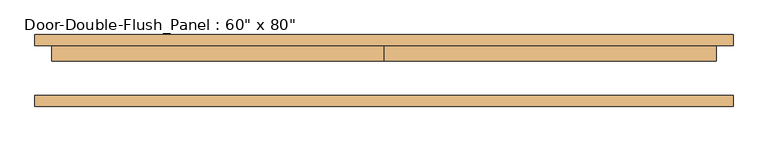
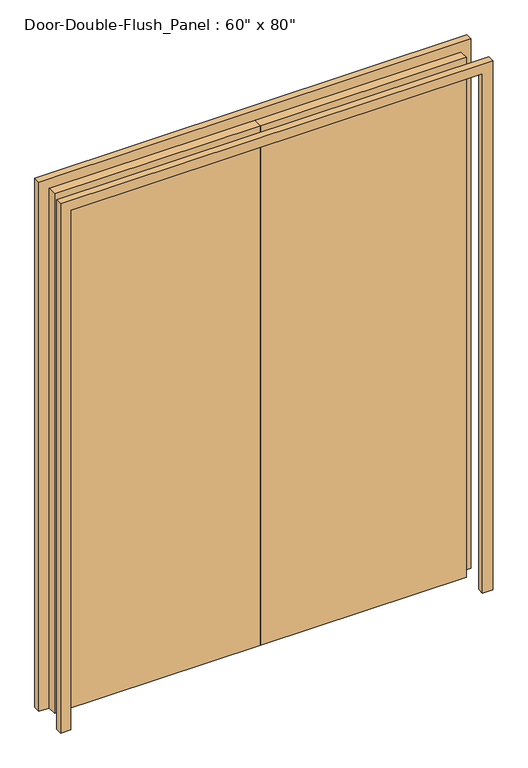
"""IFC4 building model written with IfcOpenShell, lengths in millimetres: door geometry."""

from ifc_helpers import new_model, si_unit, frame, origin, origin_with_axes, place, context, project, spatial, polyline, outline, extrude, source, transform, mapped, element, save


def door_635bca07(model_context):
    return source(origin(), model_context, "Body", "SweptSolid", [
        extrude(outline(polyline([(2032.0, -762.0), (2032.0, 762.0), (0.0, 762.0), (0.0, 800.1), (2070.1, 800.1), (2070.1, -800.1), (0.0, -800.1), (0.0, -762.0), (2032.0, -762.0)])), frame((0.0, -82.55, 0.0), z_axis=(0.0, 1.0, 0.0), x_axis=(0.0, 0.0, 1.0)), (0.0, 0.0, 1.0), 25.4),
        extrude(outline(polyline([(2032.0, -762.0), (2032.0, 762.0), (0.0, 762.0), (0.0, 800.1), (2070.1, 800.1), (2070.1, -800.1), (0.0, -800.1), (0.0, -762.0), (2032.0, -762.0)])), frame((0.0, 57.15, 0.0), z_axis=(0.0, 1.0, 0.0), x_axis=(0.0, 0.0, 1.0)), (0.0, 0.0, 1.0), 25.4),
        extrude(outline(polyline([(0.0, 57.15), (762.0, 57.15), (762.0, 22.225), (0.0, 22.225), (0.0, 57.15)])), origin_with_axes(), (0.0, 0.0, 1.0), 2032.0),
        extrude(outline(polyline([(-762.0, 57.15), (0.0, 57.15), (0.0, 22.225), (-762.0, 22.225), (-762.0, 57.15)])), origin_with_axes(), (0.0, 0.0, 1.0), 2032.0),
    ])


if __name__ == "__main__":
    model = new_model("IFC4")
    model_context = context("Model", 3, world=origin())
    ifc_project = project(units=[si_unit("LENGTHUNIT", "METRE", prefix="MILLI")], contexts=[model_context])
    site = spatial("IfcSite", under=ifc_project)
    building = spatial("IfcBuilding", under=site)
    placement = place(None, origin())
    door_shape = door_635bca07(model_context)
    element("IfcDoor", 1, ObjectType="Door-Double-Flush_Panel : 60\" x 80\"", at=placement, inside=building, context=model_context, shape_type="MappedRepresentation", body=[
        mapped(door_shape, transform((0.0, 0.0, 0.0), x_axis=(1.0, 0.0, 0.0), y_axis=(0.0, 1.0, 0.0), z_axis=(0.0, 0.0, 1.0))),
    ])
    save(model, "model.ifc")
